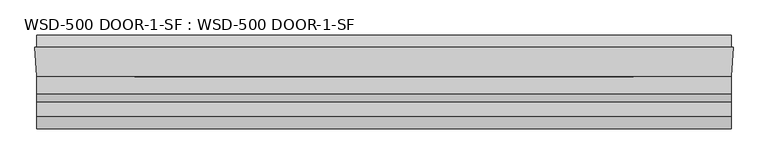
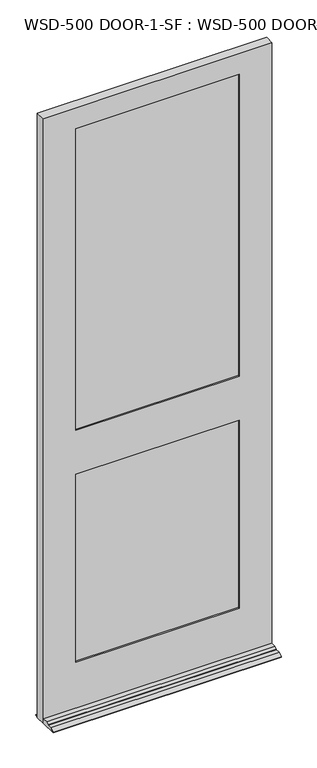
"""IFC4 building model written with IfcOpenShell, lengths in millimetres: plate geometry, WSD-500 DOOR-1-SF : WSD-500 DOOR-1-SF."""

from ifc_helpers import new_model, si_unit, frame, origin, place, context, project, spatial, polyline, outline, extrude, faceted_brep, source, transform, mapped, element, save


def wsd_500_door_1_sf_wsd_500_door_1_sf_39ae6c13(model_context):
    return source(origin(), model_context, "Body", "SolidModel", [
        faceted_brep([(530.1603327, 1.8752528, 0.0), (527.3917327, -42.5747472, 0.0), (527.3917327, -121.9497472, 0.0), (-533.8064, -121.9497472, 0.0), (-533.8064, -42.5747472, 0.0), (-536.575, 1.8752528, 0.0), (-533.8064, 1.8752528, 0.0), (-533.8064, 20.9252528, 0.0), (527.3917327, 20.9252528, 0.0), (527.3917327, 1.8752528, 0.0), (527.3917327, -42.5747472, 21.4376), (527.3917327, -68.4446472, 21.4376), (527.3917327, -80.8652472, 14.2748), (527.3917327, -80.8652472, 12.7), (527.3917327, -102.8997472, 12.7), (527.3917327, -121.9497472, 3.175), (527.3917327, 20.9252528, 3.175), (527.3917327, 1.8752528, 12.7), (-533.8064, 1.8752528, 12.7), (-533.8064, 20.9252528, 3.175), (-533.8064, -121.9497472, 3.175), (-533.8064, -102.8997472, 12.7), (-533.8064, -80.8652472, 12.7), (-533.8064, -80.8652472, 14.2748), (-533.8064, -68.4446472, 21.4376), (-533.8064, -42.5747472, 21.4376), (530.1603327, 1.8752528, 2971.7168046), (-536.575, 1.8752528, 2971.7168046), (-384.175, 1.8752528, 1169.9748), (-384.175, 1.8752528, 246.0625), (377.7603327, 1.8752528, 246.0625), (377.7603327, 1.8752528, 1169.9748), (377.7603327, 1.8752528, 2870.1168046), (-384.175, 1.8752528, 2870.1168046), (-384.175, 1.8752528, 1385.8748), (377.7603327, 1.8752528, 1385.8748), (377.7603327, -9.7325472, 2870.1168046), (-384.175, -9.7325472, 2870.1168046), (397.5977327, -9.7325472, 1189.8249), (-404.0124, -9.7325472, 1189.8249), (-404.0124, -9.7325472, 226.2251), (397.5977327, -9.7325472, 226.2251), (-384.175, -9.7325472, 1169.9748), (377.7603327, -9.7325472, 1169.9748), (377.7603327, -9.7325472, 246.0625), (-384.175, -9.7325472, 246.0625), (397.5977327, -9.7325472, 2890.0374), (-404.0124, -9.7325472, 2890.0374), (-404.0124, -9.7325472, 1366.0374), (397.5977327, -9.7325472, 1366.0374), (377.7603327, -9.7325472, 1385.8748), (-384.175, -9.7325472, 1385.8748), (397.5977327, -35.1325472, 2890.0374), (-404.0124, -35.1325472, 2890.0374), (-404.0124, -35.1325472, 1189.8249), (397.5977327, -35.1325472, 1189.8249), (397.5977327, -35.1325472, 226.2251), (-404.0124, -35.1325472, 226.2251), (377.7603327, -35.1325472, 1169.9748), (-384.175, -35.1325472, 1169.9748), (-384.175, -35.1325472, 246.0625), (377.7603327, -35.1325472, 246.0625), (397.5977327, -35.1325472, 1366.0374), (-404.0124, -35.1325472, 1366.0374), (377.7603327, -35.1325472, 2870.1168046), (-384.175, -35.1325472, 2870.1168046), (-384.175, -35.1325472, 1385.8748), (377.7603327, -35.1325472, 1385.8748), (377.7603327, -42.5747472, 2870.1168046), (-384.175, -42.5747472, 2870.1168046), (527.3917327, -42.5747472, 2971.7168046), (-533.8064, -42.5747472, 2971.7168046), (377.7603327, -42.5747472, 1169.9748), (377.7603327, -42.5747472, 246.0625), (-384.175, -42.5747472, 246.0625), (-384.175, -42.5747472, 1169.9748), (377.7603327, -42.5747472, 1385.8748), (-384.175, -42.5747472, 1385.8748)], [[[0, 1, 2, 3, 4, 5, 6, 7, 8, 9]], [[10, 11, 12, 13, 14, 15, 2, 1]], [[8, 16, 17, 9]], [[18, 19, 7, 6]], [[3, 20, 21, 22, 23, 24, 25, 4]], [[26, 0, 9, 17, 18, 6, 5, 27], [28, 29, 30, 31], [32, 33, 34, 35]], [[32, 36, 37, 33]], [[38, 39, 40, 41], [42, 43, 44, 45]], [[46, 47, 48, 49], [37, 36, 50, 51]], [[46, 52, 53, 47]], [[54, 55, 56, 57], [58, 59, 60, 61]], [[53, 52, 62, 63], [64, 65, 66, 67]], [[64, 68, 69, 65]], [[70, 71, 25, 10], [72, 73, 74, 75], [69, 68, 76, 77]], [[70, 26, 27, 71]], [[52, 46, 49, 62]], [[56, 55, 38, 41]], [[68, 64, 67, 76]], [[72, 58, 61, 73]], [[26, 70, 10, 1, 0]], [[36, 32, 35, 50]], [[43, 31, 30, 44]], [[25, 71, 27, 5, 4]], [[65, 69, 77, 66]], [[59, 75, 74, 60]], [[40, 39, 54, 57]], [[47, 53, 63, 48]], [[33, 37, 51, 34]], [[28, 42, 45, 29]], [[35, 34, 51, 50]], [[62, 49, 48, 63]], [[67, 66, 77, 76]], [[59, 58, 72, 75]], [[38, 55, 54, 39]], [[28, 31, 43, 42]], [[57, 56, 41, 40]], [[61, 60, 74, 73]], [[11, 10, 25, 24]], [[12, 11, 24, 23]], [[13, 12, 23, 22]], [[14, 13, 22, 21]], [[15, 14, 21, 20]], [[2, 15, 20, 3]], [[16, 8, 7, 19]], [[18, 17, 16, 19]], [[30, 29, 45, 44]]]),
        extrude(outline(polyline([(-404.0124, -9.7325472), (397.5977327, -9.7325472), (397.5977327, -14.8125472), (-404.0124, -14.8125472), (-404.0124, -9.7325472)])), frame((0.0, 0.0, 226.21875), z_axis=(0.0, 0.0, 1.0), x_axis=(1.0, 0.0, 0.0)), (0.0, 0.0, 1.0), 963.60615),
        extrude(outline(polyline([(397.5977327, -24.2105472), (397.5977327, -29.2905472), (-404.0124, -29.2905472), (-404.0124, -24.2105472), (397.5977327, -24.2105472)])), frame((0.0, 0.0, 226.21875), z_axis=(0.0, 0.0, 1.0), x_axis=(1.0, 0.0, 0.0)), (0.0, 0.0, 1.0), 963.60615),
        extrude(outline(polyline([(-404.0124, -30.0525472), (397.5977327, -30.0525472), (397.5977327, -35.1325472), (-404.0124, -35.1325472), (-404.0124, -30.0525472)])), frame((0.0, 0.0, 226.21875), z_axis=(0.0, 0.0, 1.0), x_axis=(1.0, 0.0, 0.0)), (0.0, 0.0, 1.0), 963.60615),
        extrude(outline(polyline([(-404.0124, -9.7325472), (397.5977327, -9.7325472), (397.5977327, -14.8125472), (-404.0124, -14.8125472), (-404.0124, -9.7325472)])), frame((0.0, 0.0, 1366.0374), z_axis=(0.0, 0.0, 1.0), x_axis=(1.0, 0.0, 0.0)), (0.0, 0.0, 1.0), 1524.0),
        extrude(outline(polyline([(397.5977327, -24.2105472), (397.5977327, -29.2905472), (-404.0124, -29.2905472), (-404.0124, -24.2105472), (397.5977327, -24.2105472)])), frame((0.0, 0.0, 1366.0374), z_axis=(0.0, 0.0, 1.0), x_axis=(1.0, 0.0, 0.0)), (0.0, 0.0, 1.0), 1524.0),
        extrude(outline(polyline([(-404.0124, -30.0525472), (397.5977327, -30.0525472), (397.5977327, -35.1325472), (-404.0124, -35.1325472), (-404.0124, -30.0525472)])), frame((0.0, 0.0, 1366.0374), z_axis=(0.0, 0.0, 1.0), x_axis=(1.0, 0.0, 0.0)), (0.0, 0.0, 1.0), 1524.0),
    ])


if __name__ == "__main__":
    model = new_model("IFC4")
    model_context = context("Model", 3, world=origin())
    ifc_project = project(units=[si_unit("LENGTHUNIT", "METRE", prefix="MILLI")], contexts=[model_context])
    site = spatial("IfcSite", under=ifc_project)
    building = spatial("IfcBuilding", under=site)
    placement = place(None, origin())
    wsd_500_door_1_sf_wsd_500_door_1_sf_shape = wsd_500_door_1_sf_wsd_500_door_1_sf_39ae6c13(model_context)
    element("IfcPlate", 1, ObjectType="WSD-500 DOOR-1-SF : WSD-500 DOOR-1-SF", at=placement, inside=building, context=model_context, shape_type="MappedRepresentation", body=[
        mapped(wsd_500_door_1_sf_wsd_500_door_1_sf_shape, transform((0.0, 0.0, 0.0), x_axis=(1.0, 0.0, 0.0), y_axis=(0.0, 1.0, 0.0), z_axis=(0.0, 0.0, 1.0))),
    ])
    save(model, "model.ifc")
